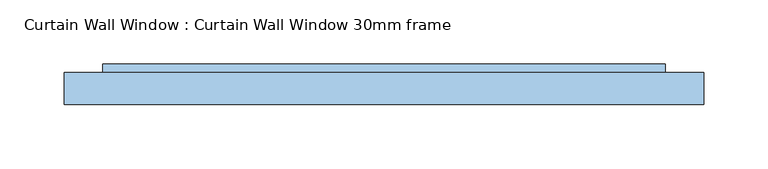
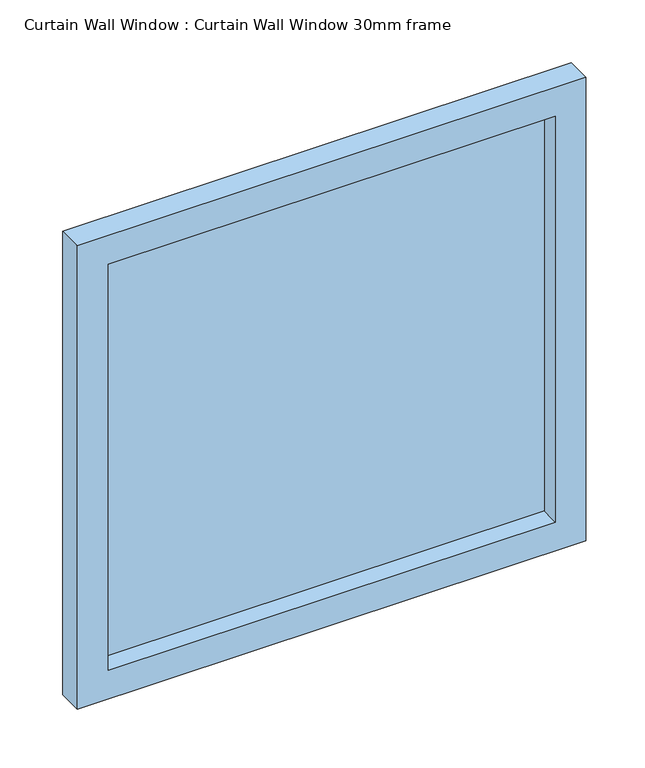
"""IFC4 building model written with IfcOpenShell, lengths in millimetres: window geometry, Curtain Wall Window : Curtain Wall Window 30mm frame."""

from ifc_helpers import new_model, si_unit, frame, origin, place, context, project, spatial, polyline, outline, extrude, source, transform, mapped, element, save


def curtain_wall_window_curtain_wall_window_30mm_frame_5306486c(model_context):
    return source(origin(), model_context, "Body", "SweptSolid", [
        extrude(outline(polyline([(219.4999836, 19.05), (-219.4999836, 19.05), (-219.4999836, 31.75), (219.4999836, 31.75), (219.4999836, 19.05)])), frame((0.0, 0.0, 30.0), z_axis=(0.0, 0.0, 1.0), x_axis=(1.0, 0.0, 0.0)), (0.0, 0.0, 1.0), 421.0000097),
        extrude(outline(polyline([(481.0000097, -249.4999836), (0.0, -249.4999836), (0.0, 249.4999836), (481.0000097, 249.4999836), (481.0000097, -249.4999836)]), holes=[polyline([(451.0000097, -219.4999836), (451.0000097, 219.4999836), (30.0, 219.4999836), (30.0, -219.4999836), (451.0000097, -219.4999836)])]), frame((0.0, 0.0, 0.0), z_axis=(0.0, 1.0, 0.0), x_axis=(0.0, 0.0, 1.0)), (0.0, 0.0, 1.0), 25.0),
    ])


if __name__ == "__main__":
    model = new_model("IFC4")
    model_context = context("Model", 3, world=origin())
    ifc_project = project(units=[si_unit("LENGTHUNIT", "METRE", prefix="MILLI")], contexts=[model_context])
    site = spatial("IfcSite", under=ifc_project)
    building = spatial("IfcBuilding", under=site)
    placement = place(None, origin())
    curtain_wall_window_curtain_wall_window_30mm_frame_shape = curtain_wall_window_curtain_wall_window_30mm_frame_5306486c(model_context)
    element("IfcWindow", 1, ObjectType="Curtain Wall Window : Curtain Wall Window 30mm frame", at=placement, inside=building, context=model_context, shape_type="MappedRepresentation", body=[
        mapped(curtain_wall_window_curtain_wall_window_30mm_frame_shape, transform((0.0, 0.0, 0.0), x_axis=(1.0, 0.0, 0.0), y_axis=(0.0, 1.0, 0.0), z_axis=(0.0, 0.0, 1.0))),
    ])
    save(model, "model.ifc")
